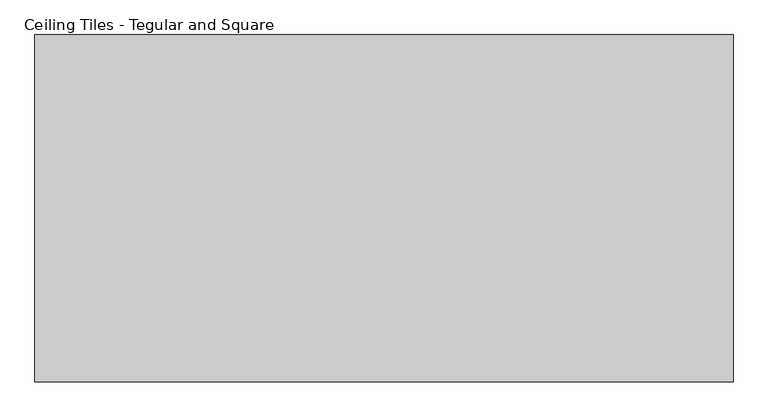
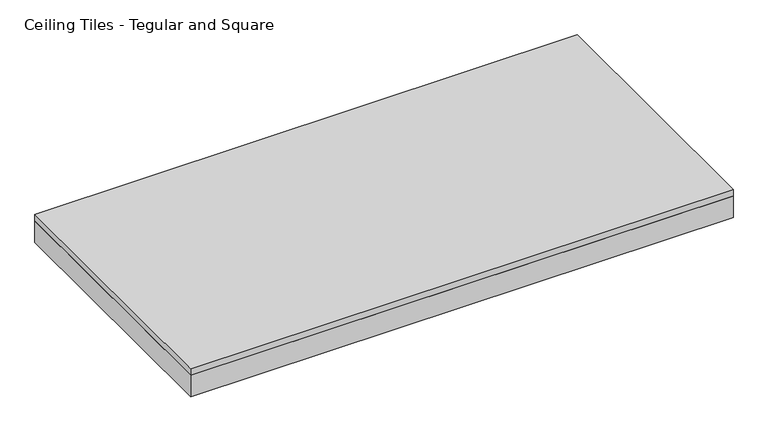
"""IFC4 building model written with IfcOpenShell, lengths in millimetres: proxy geometry, Ceiling Tiles - Tegular and Square."""

from ifc_helpers import new_model, si_unit, frame, origin, origin_with_axes, place, context, project, spatial, polyline, outline, extrude, source, transform, mapped, element, save


def ceiling_tiles_tegular_and_square_1f545f1d(model_context):
    return source(origin(), model_context, "Body", "SweptSolid", [
        extrude(outline(polyline([(606.425, 301.625), (606.425, -301.625), (-606.425, -301.625), (-606.425, 301.625), (606.425, 301.625)])), origin_with_axes(), (0.0, 0.0, 1.0), 50.8),
        extrude(outline(polyline([(-606.425, 301.625), (606.425, 301.625), (606.425, -301.625), (-606.425, -301.625), (-606.425, 301.625)])), frame((0.0, 0.0, 50.8), z_axis=(0.0, 0.0, 1.0), x_axis=(1.0, 0.0, 0.0)), (0.0, 0.0, 1.0), 15.875),
    ])


if __name__ == "__main__":
    model = new_model("IFC4")
    model_context = context("Model", 3, world=origin())
    ifc_project = project(units=[si_unit("LENGTHUNIT", "METRE", prefix="MILLI")], contexts=[model_context])
    site = spatial("IfcSite", under=ifc_project)
    building = spatial("IfcBuilding", under=site)
    placement = place(None, origin())
    ceiling_tiles_tegular_and_square_shape = ceiling_tiles_tegular_and_square_1f545f1d(model_context)
    element("IfcBuildingElementProxy", 1, Name="Ceiling Tiles - Tegular and Square", ObjectType="Ceiling Tiles - Tegular and Square", at=placement, inside=building, context=model_context, shape_type="MappedRepresentation", body=[
        mapped(ceiling_tiles_tegular_and_square_shape, transform((0.0, 0.0, 0.0), x_axis=(1.0, 0.0, 0.0), y_axis=(0.0, 1.0, 0.0), z_axis=(0.0, 0.0, 1.0))),
    ])
    save(model, "model.ifc")
